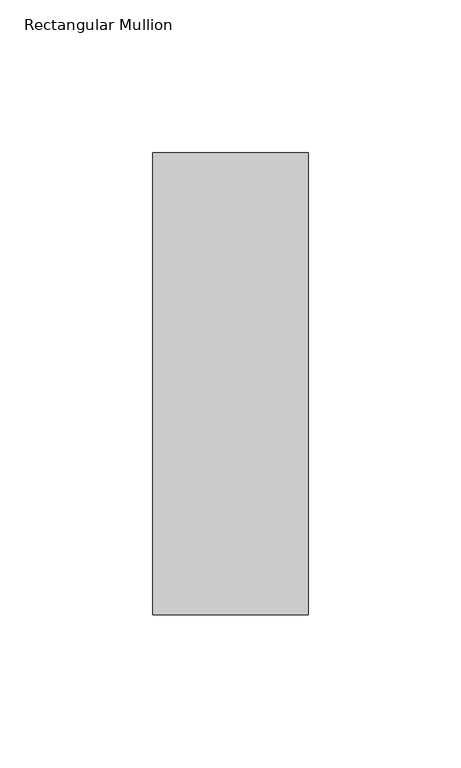
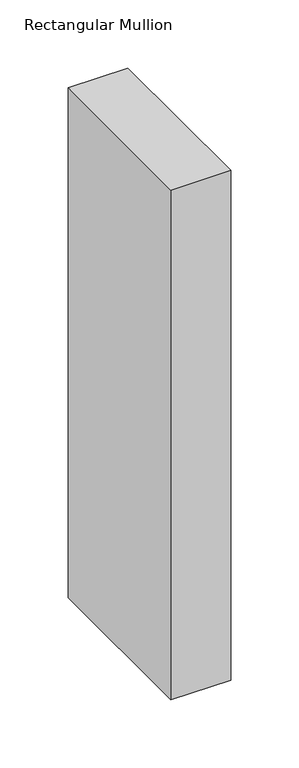
"""IFC4 building model written with IfcOpenShell, lengths in millimetres: member geometry, Rectangular Mullion."""

from ifc_helpers import new_model, si_unit, frame, origin, place, context, project, spatial, polyline, outline, extrude, source, transform, mapped, element, save


def rectangular_mullion_ccaa406a(model_context):
    return source(origin(), model_context, "Body", "SweptSolid", [
        extrude(outline(polyline([(-50.8, 25.5984375), (0.0, 25.5984375), (0.0, -125.6109375), (-50.8, -125.6109375), (-50.8, 25.5984375)])), frame((0.0, 0.0, -457.2), z_axis=(0.0, 0.0, 1.0), x_axis=(1.0, 0.0, 0.0)), (0.0, 0.0, 1.0), 457.2),
    ])


if __name__ == "__main__":
    model = new_model("IFC4")
    model_context = context("Model", 3, world=origin())
    ifc_project = project(units=[si_unit("LENGTHUNIT", "METRE", prefix="MILLI")], contexts=[model_context])
    site = spatial("IfcSite", under=ifc_project)
    building = spatial("IfcBuilding", under=site)
    placement = place(None, origin())
    rectangular_mullion_shape = rectangular_mullion_ccaa406a(model_context)
    element("IfcMember", 1, ObjectType="Rectangular Mullion", at=placement, inside=building, context=model_context, shape_type="MappedRepresentation", body=[
        mapped(rectangular_mullion_shape, transform((0.0, 0.0, 0.0), x_axis=(1.0, 0.0, 0.0), y_axis=(0.0, 1.0, 0.0), z_axis=(0.0, 0.0, 1.0))),
    ])
    save(model, "model.ifc")
